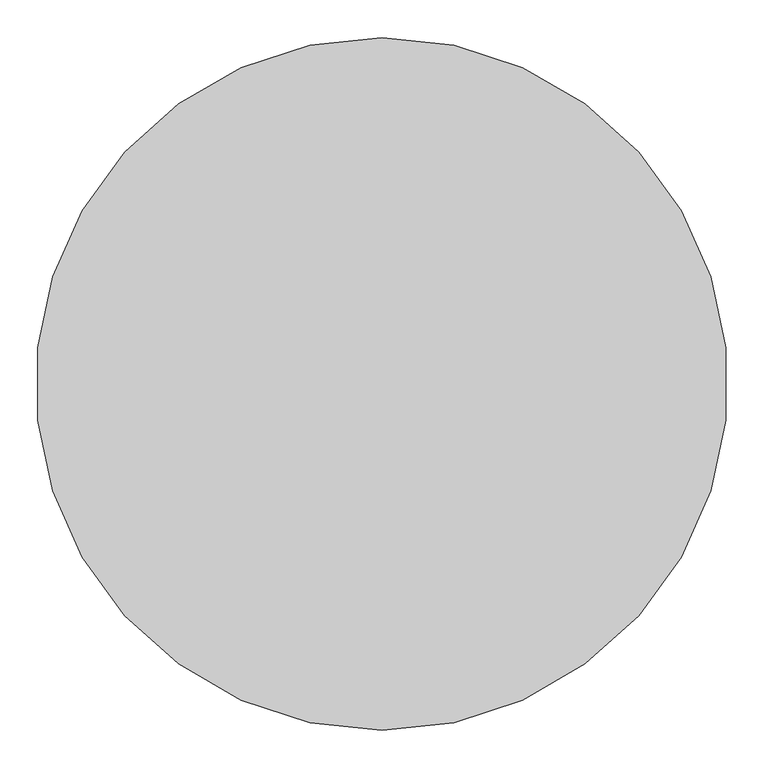
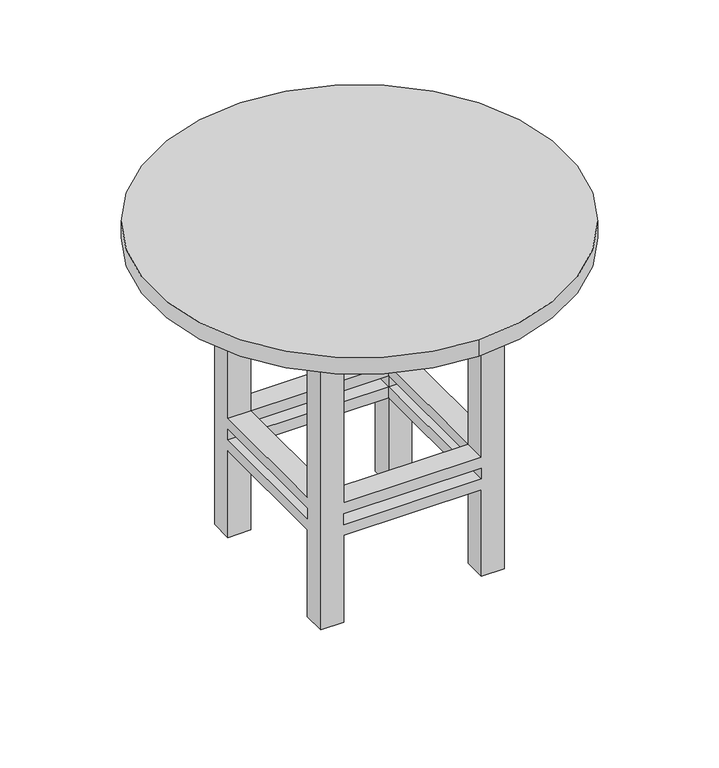
"""IFC4 building model written with IfcOpenShell, lengths in millimetres: furniture geometry."""

from ifc_helpers import new_model, si_unit, point, frame, frame_2d, origin, place, context, project, spatial, polyline, circle_curve, trimmed, segment, composite_curve, outline, extrude, faceted_brep, source, transform, mapped, element, save


def furniture_f6ad11bd(model_context):
    return source(origin(), model_context, "Body", "SolidModel", [
        faceted_brep([(-48.8680328, -18.4713115, 647.7), (-48.8680328, 32.3286885, 647.7), (-99.6680328, 32.3286885, 647.7), (-99.6680328, -18.4713115, 647.7), (256.2319672, -18.4713115, 647.7), (307.0319672, -18.4713115, 647.7), (307.0319672, 32.3286885, 647.7), (256.2319672, 32.3286885, 647.7), (256.2319672, 388.2286885, 647.7), (256.2319672, 337.4286885, 647.7), (307.0319672, 337.4286885, 647.7), (307.0319672, 388.2286885, 647.7), (-48.8680328, 388.2286885, 647.7), (-99.6680328, 388.2286885, 647.7), (-99.6680328, 337.4286885, 647.7), (-48.8680328, 337.4286885, 647.7), (-48.8680328, -18.4713115, 0.0), (-99.6680328, -18.4713115, 0.0), (-99.6680328, 32.3286885, 0.0), (-48.8680328, 32.3286885, 0.0), (256.2319672, -18.4713115, 0.0), (256.2319672, 32.3286885, 0.0), (307.0319672, 32.3286885, 0.0), (307.0319672, -18.4713115, 0.0), (256.2319672, 388.2286885, 0.0), (307.0319672, 388.2286885, 0.0), (307.0319672, 337.4286885, 0.0), (256.2319672, 337.4286885, 0.0), (-48.8680328, 388.2286885, 0.0), (-48.8680328, 337.4286885, 0.0), (-99.6680328, 337.4286885, 0.0), (-99.6680328, 388.2286885, 0.0), (-48.8680328, -18.4713115, 203.2), (256.2319672, -18.4713115, 203.2), (256.2319672, -18.4713115, 279.4), (-48.8680328, -18.4713115, 279.4), (256.2319672, -18.4713115, 228.6), (-48.8680328, -18.4713115, 228.6), (-48.8680328, -18.4713115, 254.0), (256.2319672, -18.4713115, 254.0), (-99.6680328, 32.3286885, 279.4), (-99.6680328, 337.4286885, 279.4), (-99.6680328, 337.4286885, 203.2), (-99.6680328, 32.3286885, 203.2), (-99.6680328, 32.3286885, 228.6), (-99.6680328, 337.4286885, 228.6), (-99.6680328, 337.4286885, 254.0), (-99.6680328, 32.3286885, 254.0), (-48.8680328, 32.3286885, 254.0), (-48.8680328, 32.3286885, 228.6), (-48.8680328, 32.3286885, 203.2), (-48.8680328, 32.3286885, 279.4), (256.2319672, 32.3286885, 254.0), (256.2319672, 32.3286885, 228.6), (256.2319672, 32.3286885, 203.2), (256.2319672, 32.3286885, 279.4), (307.0319672, 32.3286885, 203.2), (307.0319672, 32.3286885, 254.0), (307.0319672, 32.3286885, 228.6), (307.0319672, 32.3286885, 279.4), (307.0319672, 337.4286885, 203.2), (307.0319672, 337.4286885, 279.4), (307.0319672, 337.4286885, 228.6), (307.0319672, 337.4286885, 254.0), (256.2319672, 388.2286885, 203.2), (-48.8680328, 388.2286885, 203.2), (-48.8680328, 388.2286885, 279.4), (256.2319672, 388.2286885, 279.4), (-48.8680328, 388.2286885, 228.6), (256.2319672, 388.2286885, 228.6), (256.2319672, 388.2286885, 254.0), (-48.8680328, 388.2286885, 254.0), (256.2319672, 337.4286885, 254.0), (256.2319672, 337.4286885, 228.6), (256.2319672, 337.4286885, 203.2), (256.2319672, 337.4286885, 279.4), (-48.8680328, 337.4286885, 254.0), (-48.8680328, 337.4286885, 228.6), (-48.8680328, 337.4286885, 203.2), (-48.8680328, 337.4286885, 279.4)], [[[0, 1, 2, 3]], [[4, 5, 6, 7]], [[8, 9, 10, 11]], [[12, 13, 14, 15]], [[16, 17, 18, 19]], [[20, 21, 22, 23]], [[24, 25, 26, 27]], [[28, 29, 30, 31]], [[3, 17, 16, 32, 33, 20, 23, 5, 4, 34, 35, 0], [36, 37, 38, 39]], [[2, 40, 41, 14, 13, 31, 30, 42, 43, 18, 17, 3], [44, 45, 46, 47]], [[44, 47, 48, 49]], [[18, 43, 50, 19]], [[1, 51, 40, 2]], [[0, 35, 51, 1]], [[19, 50, 32, 16]], [[49, 48, 38, 37]], [[36, 39, 52, 53]], [[20, 33, 54, 21]], [[7, 55, 34, 4]], [[21, 54, 56, 22]], [[53, 52, 57, 58]], [[6, 59, 55, 7]], [[23, 22, 56, 60, 26, 25, 11, 10, 61, 59, 6, 5], [62, 58, 57, 63]], [[25, 24, 64, 65, 28, 31, 13, 12, 66, 67, 8, 11], [68, 69, 70, 71]], [[62, 63, 72, 73]], [[26, 60, 74, 27]], [[9, 75, 61, 10]], [[8, 67, 75, 9]], [[27, 74, 64, 24]], [[73, 72, 70, 69]], [[68, 71, 76, 77]], [[28, 65, 78, 29]], [[15, 79, 66, 12]], [[14, 41, 79, 15]], [[29, 78, 42, 30]], [[77, 76, 46, 45]], [[49, 37, 36, 53]], [[53, 58, 62, 73]], [[73, 69, 68, 77]], [[77, 45, 44, 49]], [[50, 43, 42, 78]], [[54, 33, 32, 50]], [[74, 60, 56, 54]], [[78, 65, 64, 74]], [[73, 74, 54, 53]], [[77, 78, 74, 73]], [[49, 50, 78, 77]], [[53, 54, 50, 49]], [[51, 35, 34, 55]], [[55, 59, 61, 75]], [[75, 67, 66, 79]], [[79, 41, 40, 51]], [[48, 47, 46, 76]], [[52, 39, 38, 48]], [[72, 63, 57, 52]], [[76, 71, 70, 72]], [[75, 72, 52, 55]], [[79, 76, 72, 75]], [[51, 48, 76, 79]], [[55, 52, 48, 51]]]),
        extrude(outline(polyline([(332.4319672, -43.8713115), (-125.0680328, -43.8713115), (-125.0680328, 413.6286885), (332.4319672, 413.6286885), (332.4319672, -43.8713115)]), holes=[polyline([(307.0319672, -18.4713115), (307.0319672, 388.2286885), (-99.6680328, 388.2286885), (-99.6680328, -18.4713115), (307.0319672, -18.4713115)])]), frame((0.0, 0.0, 647.7), z_axis=(0.0, 0.0, 1.0), x_axis=(1.0, 0.0, 0.0)), (0.0, 0.0, 1.0), 76.2),
        extrude(outline(composite_curve([segment(trimmed(circle_curve(frame_2d((103.6819672, 184.8786885)), 457.5), [point((103.6819672, 642.3786885))], [point((103.6819672, -272.6213115))], False, "CARTESIAN"), True, "CONTINUOUS"), segment(trimmed(circle_curve(frame_2d((103.6819672, 184.8786885)), 457.5), [point((103.6819672, -272.6213115))], [point((103.6819672, 642.3786885))], False, "CARTESIAN"), True, "CONTINUOUS")], self_intersect=False)), frame((0.0, 0.0, 723.9), z_axis=(0.0, 0.0, 1.0), x_axis=(1.0, 0.0, 0.0)), (0.0, 0.0, 1.0), 38.1),
    ])


if __name__ == "__main__":
    model = new_model("IFC4")
    model_context = context("Model", 3, world=origin())
    ifc_project = project(units=[si_unit("LENGTHUNIT", "METRE", prefix="MILLI")], contexts=[model_context])
    site = spatial("IfcSite", under=ifc_project)
    building = spatial("IfcBuilding", under=site)
    placement = place(None, origin())
    furniture_shape = furniture_f6ad11bd(model_context)
    element("IfcFurniture", 1, at=placement, inside=building, context=model_context, shape_type="MappedRepresentation", body=[
        mapped(furniture_shape, transform((0.0, 0.0, 0.0), x_axis=(1.0, 0.0, 0.0), y_axis=(0.0, 1.0, 0.0), z_axis=(0.0, 0.0, 1.0))),
    ])
    save(model, "model.ifc")
